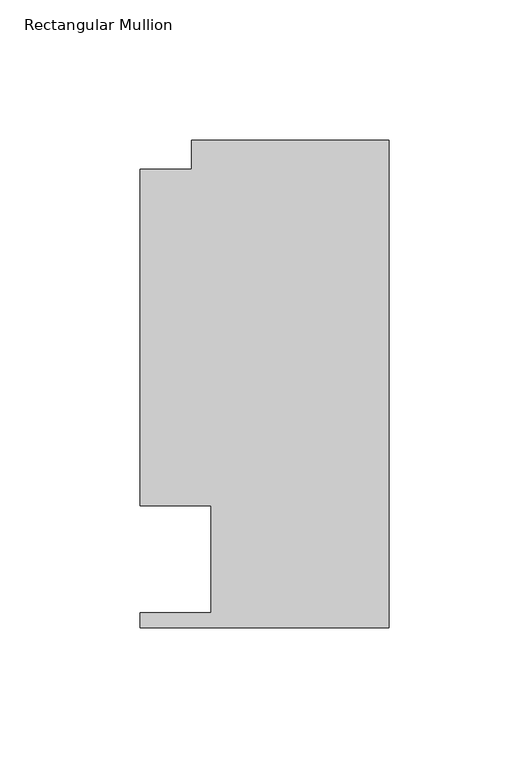
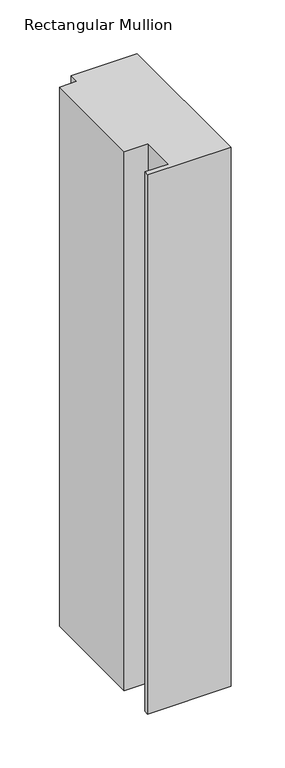
"""IFC4 building model written with IfcOpenShell, lengths in millimetres: member geometry, Rectangular Mullion."""

from ifc_helpers import new_model, si_unit, frame, origin, place, context, project, spatial, polyline, outline, extrude, source, transform, mapped, element, save


def rectangular_mullion_da45ae93(model_context):
    return source(origin(), model_context, "Body", "SweptSolid", [
        extrude(outline(polyline([(-88.9131928, 151.892), (-70.395709, 151.892), (-70.395709, 162.3059961), (0.0, 162.3059961), (0.0, -11.684), (-88.9131928, -11.684), (-88.9131928, -6.35), (-63.5131928, -6.35), (-63.5131928, 31.75), (-88.9131928, 31.75), (-88.9131928, 151.892)])), frame((0.0, 0.0, -609.6), z_axis=(0.0, 0.0, 1.0), x_axis=(1.0, 0.0, 0.0)), (0.0, 0.0, 1.0), 609.6),
    ])


if __name__ == "__main__":
    model = new_model("IFC4")
    model_context = context("Model", 3, world=origin())
    ifc_project = project(units=[si_unit("LENGTHUNIT", "METRE", prefix="MILLI")], contexts=[model_context])
    site = spatial("IfcSite", under=ifc_project)
    building = spatial("IfcBuilding", under=site)
    placement = place(None, origin())
    rectangular_mullion_shape = rectangular_mullion_da45ae93(model_context)
    element("IfcMember", 1, ObjectType="Rectangular Mullion", at=placement, inside=building, context=model_context, shape_type="MappedRepresentation", body=[
        mapped(rectangular_mullion_shape, transform((0.0, 0.0, 0.0), x_axis=(1.0, 0.0, 0.0), y_axis=(0.0, 1.0, 0.0), z_axis=(0.0, 0.0, 1.0))),
    ])
    save(model, "model.ifc")
